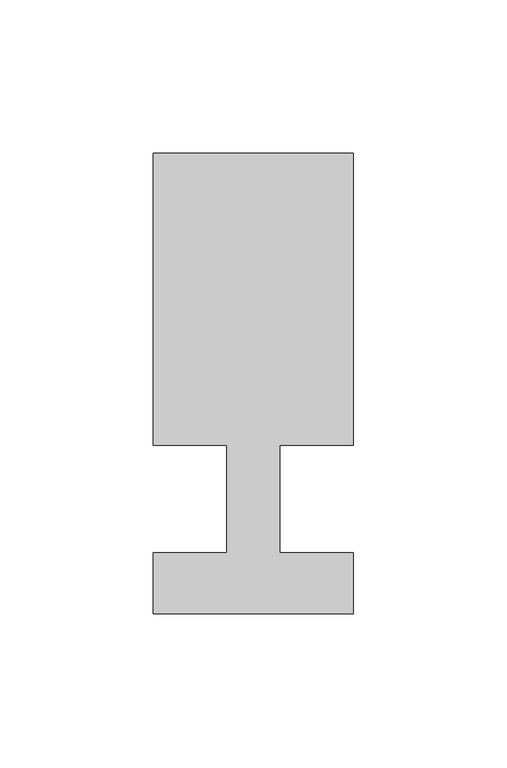
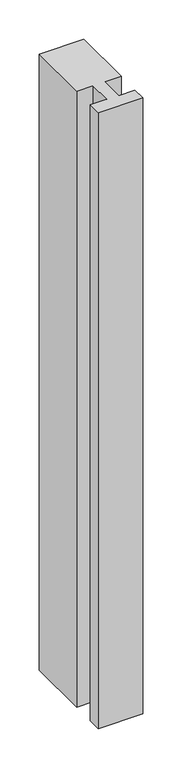
"""IFC4 building model written with IfcOpenShell, lengths in millimetres: member geometry."""

from ifc_helpers import new_model, si_unit, frame, origin, place, context, project, spatial, polyline, outline, extrude, source, transform, mapped, element, save


def member_2d3bec2f(model_context):
    return source(origin(), model_context, "Body", "SweptSolid", [
        extrude(outline(polyline([(0.0, -37.0), (-65.0, -37.0), (-65.0, -17.0), (-41.1875, -17.0), (-41.1875, 18.0), (-65.0, 18.0), (-65.0, 113.0), (0.0, 113.0), (0.0, 18.0), (-23.8125, 18.0), (-23.8125, -17.0), (0.0, -17.0), (0.0, -37.0)])), frame((0.0, 0.0, -955.8333333), z_axis=(0.0, 0.0, 1.0), x_axis=(1.0, 0.0, 0.0)), (0.0, 0.0, 1.0), 955.8333333),
    ])


if __name__ == "__main__":
    model = new_model("IFC4")
    model_context = context("Model", 3, world=origin())
    ifc_project = project(units=[si_unit("LENGTHUNIT", "METRE", prefix="MILLI")], contexts=[model_context])
    site = spatial("IfcSite", under=ifc_project)
    building = spatial("IfcBuilding", under=site)
    placement = place(None, origin())
    member_shape = member_2d3bec2f(model_context)
    element("IfcMember", 1, at=placement, inside=building, context=model_context, shape_type="MappedRepresentation", body=[
        mapped(member_shape, transform((0.0, 0.0, 0.0), x_axis=(1.0, 0.0, 0.0), y_axis=(0.0, 1.0, 0.0), z_axis=(0.0, 0.0, 1.0))),
    ])
    save(model, "model.ifc")
